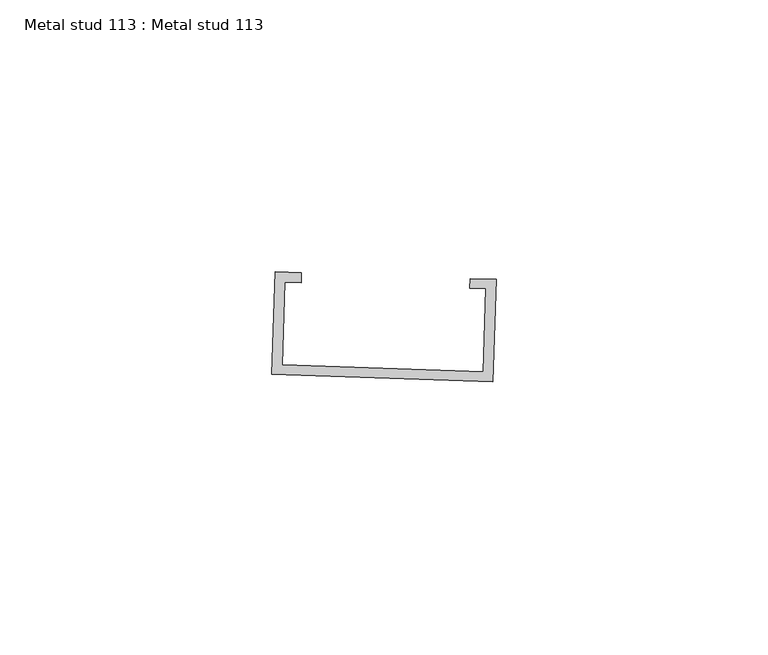
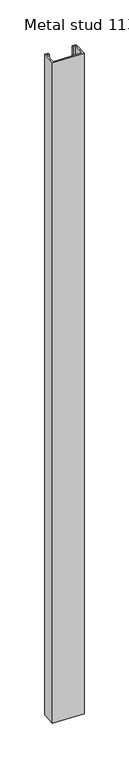
"""IFC4 building model written with IfcOpenShell, lengths in millimetres: proxy geometry, Metal stud 113 : Metal stud 113."""

from ifc_helpers import new_model, si_unit, frame, origin, place, context, project, spatial, polyline, outline, extrude, source, transform, mapped, element, save


def metal_stud_113_metal_stud_113_64a2d32c(model_context):
    return source(origin(), model_context, "Body", "SweptSolid", [
        extrude(outline(polyline([(32227.3915968, -15494.0323198), (32228.0362202, -15475.1956903), (32232.8322408, -15475.3598188), (32232.769916, -15477.1810184), (32229.795095, -15477.0792146), (32229.275121, -15492.273445), (32266.2300503, -15493.5381093), (32266.7500243, -15478.343879), (32263.7752032, -15478.2420752), (32263.8375279, -15476.4208756), (32268.6335485, -15476.5850041), (32267.988925, -15495.4216336), (32227.3915968, -15494.0323198)])), frame((0.0, 0.0, 1597.975708), z_axis=(0.0, 0.0, 1.0), x_axis=(1.0, 0.0, 0.0)), (0.0, 0.0, 1.0), 914.4),
    ])


if __name__ == "__main__":
    model = new_model("IFC4")
    model_context = context("Model", 3, world=origin())
    ifc_project = project(units=[si_unit("LENGTHUNIT", "METRE", prefix="MILLI")], contexts=[model_context])
    site = spatial("IfcSite", under=ifc_project)
    building = spatial("IfcBuilding", under=site)
    placement = place(None, origin())
    metal_stud_113_metal_stud_113_shape = metal_stud_113_metal_stud_113_64a2d32c(model_context)
    element("IfcBuildingElementProxy", 1, Name="Metal stud 113 : Metal stud 113", ObjectType="Metal stud 113 : Metal stud 113", at=placement, inside=building, context=model_context, shape_type="MappedRepresentation", body=[
        mapped(metal_stud_113_metal_stud_113_shape, transform((0.0, 0.0, 0.0), x_axis=(1.0, 0.0, 0.0), y_axis=(0.0, 1.0, 0.0), z_axis=(0.0, 0.0, 1.0))),
    ])
    save(model, "model.ifc")
